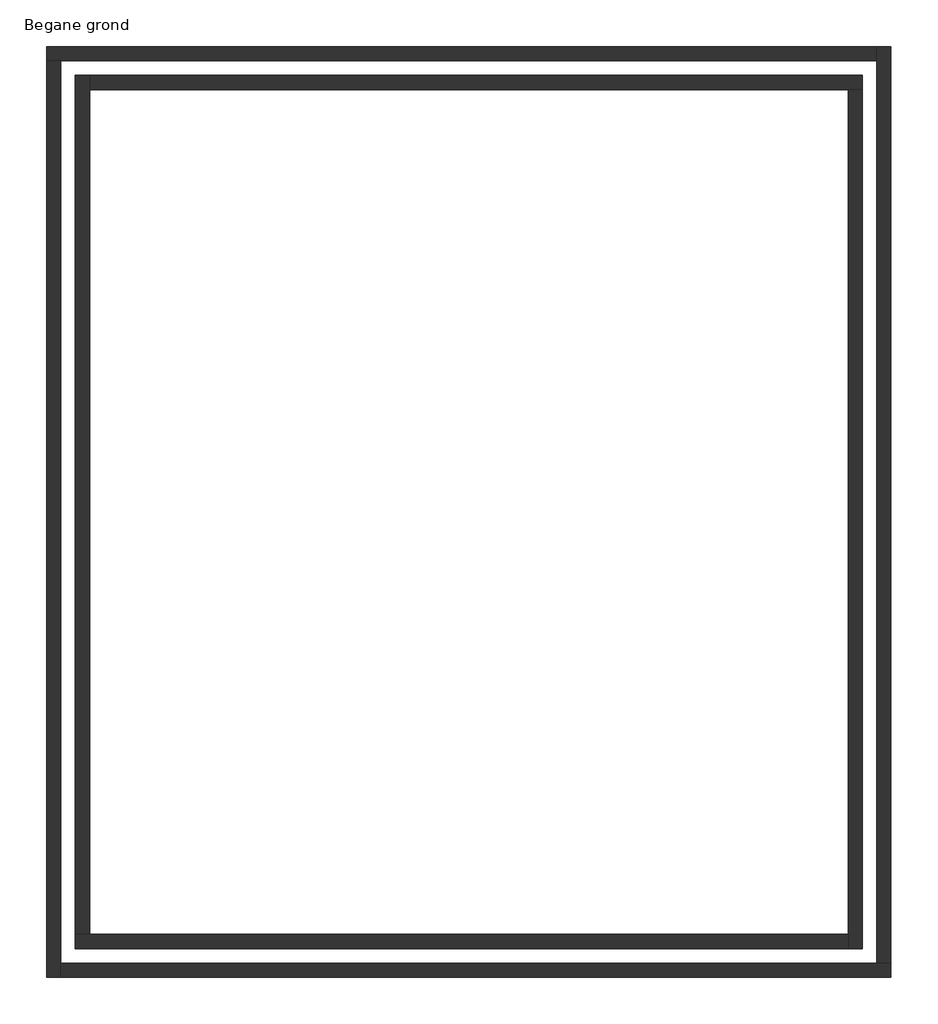
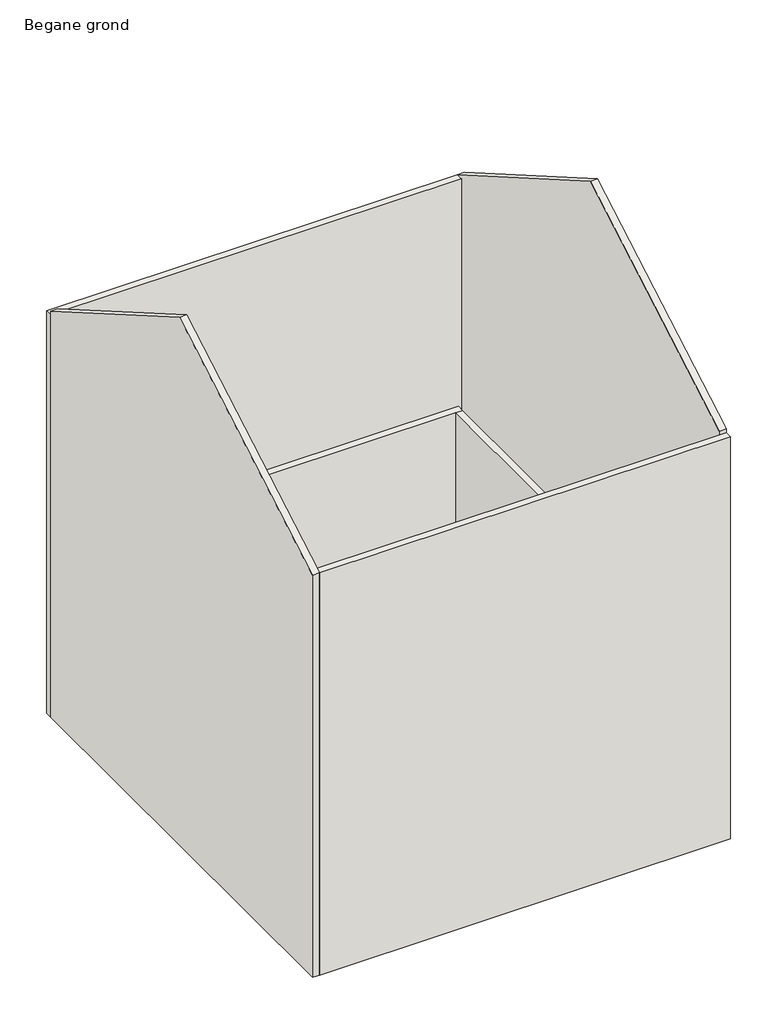
# One storey: 8 walls.
"""IFC4 building model written with IfcOpenShell, lengths in millimetres."""

from ifc_helpers import new_model, si_unit, origin, place, context, project, spatial, faceted_brep, element, save

model = new_model("IFC4")

# Units and contexts
model_context = context("Model", 3, world=origin())
ifc_project = project(units=[si_unit("LENGTHUNIT", "METRE", prefix="MILLI")], contexts=[model_context])

# Site, building, storey
site = spatial("IfcSite", under=ifc_project)
building = spatial("IfcBuilding", under=site)
storey = spatial("IfcBuildingStorey", under=building, Name="Begane grond", Elevation=0.0)

# Walls
placement = place(None, origin())
element("IfcWall", 1, at=placement, inside=storey, context=model_context, shape_type="Brep", body=[
    faceted_brep([(-50.0, -50.0, 0.0), (5350.0, -50.0, 0.0), (5350.0, -50.0, 2700.0), (-50.0, -50.0, 2700.0), (-50.0, 50.0, 0.0), (-50.0, 50.0, 2700.0), (50.0, 50.0, 2700.0), (5350.0, 50.0, 2700.0), (5350.0, 50.0, 0.0), (50.0, 50.0, 0.0)], [[[0, 1, 2, 3]], [[4, 5, 6, 7, 8, 9]], [[1, 0, 4, 9, 8]], [[0, 3, 5, 4]], [[2, 1, 8, 7]], [[3, 2, 7, 6, 5]]]),
])
element("IfcWall", 2, at=placement, inside=storey, context=model_context, shape_type="Brep", body=[
    faceted_brep([(-50.0, 6050.0, 0.0), (-50.0, 50.0, 0.0), (-50.0, 50.0, 2700.0), (-50.0, 6050.0, 2700.0), (50.0, 6050.0, 0.0), (50.0, 6050.0, 2700.0), (50.0, 5950.0, 2700.0), (50.0, 50.0, 2700.0), (50.0, 50.0, 0.0), (50.0, 5950.0, 0.0)], [[[0, 1, 2, 3]], [[4, 5, 6, 7, 8, 9]], [[1, 0, 4, 9, 8]], [[0, 3, 5, 4]], [[2, 1, 8, 7]], [[3, 2, 7, 6, 5]]]),
])
element("IfcWall", 3, at=placement, inside=storey, context=model_context, shape_type="Brep", body=[
    faceted_brep([(5450.0, 6050.0, 0.0), (50.0, 6050.0, 0.0), (50.0, 6050.0, 2700.0), (5450.0, 6050.0, 2700.0), (5450.0, 5950.0, 0.0), (5450.0, 5950.0, 2700.0), (5350.0, 5950.0, 2700.0), (50.0, 5950.0, 2700.0), (50.0, 5950.0, 0.0), (5350.0, 5950.0, 0.0)], [[[0, 1, 2, 3]], [[4, 5, 6, 7, 8, 9]], [[1, 0, 4, 9, 8]], [[0, 3, 5, 4]], [[2, 1, 8, 7]], [[3, 2, 7, 6, 5]]]),
])
element("IfcWall", 4, at=placement, inside=storey, context=model_context, shape_type="Brep", body=[
    faceted_brep([(5450.0, -50.0, 0.0), (5450.0, 5950.0, 0.0), (5450.0, 5950.0, 2700.0), (5450.0, -50.0, 2700.0), (5350.0, -50.0, 0.0), (5350.0, -50.0, 2700.0), (5350.0, 50.0, 2700.0), (5350.0, 5950.0, 2700.0), (5350.0, 5950.0, 0.0), (5350.0, 50.0, 0.0)], [[[0, 1, 2, 3]], [[4, 5, 6, 7, 8, 9]], [[1, 0, 4, 9, 8]], [[0, 3, 5, 4]], [[2, 1, 8, 7]], [[3, 2, 7, 6, 5]]]),
])
element("IfcWall", 5, at=placement, inside=storey, context=model_context, shape_type="Brep", body=[
    faceted_brep([(-250.0, 6150.0, 0.0), (-150.0, 6150.0, 0.0), (5550.0, 6150.0, 0.0), (5550.0, 6150.0, 6000.0), (-250.0, 6150.0, 6000.0), (-250.0, 6250.0, 0.0), (-250.0, 6250.0, 6000.0), (5550.0, 6250.0, 6000.0), (5550.0, 6250.0, 0.0)], [[[0, 1, 2, 3, 4]], [[5, 6, 7, 8]], [[2, 1, 0, 5, 8]], [[4, 3, 7, 6]], [[0, 4, 6, 5]], [[3, 2, 8, 7]]]),
])
element("IfcWall", 6, at=placement, inside=storey, context=model_context, shape_type="Brep", body=[
    faceted_brep([(-150.0, -250.0, 0.0), (-150.0, -150.0, 0.0), (-150.0, 6150.0, 0.0), (-150.0, 6150.0, 6057.7350269), (-150.0, 3000.0, 7876.3883749), (-150.0, -250.0, 6000.0), (-250.0, -250.0, 0.0), (-250.0, -250.0, 6000.0), (-250.0, 3000.0, 7876.3883749), (-250.0, 6150.0, 6057.7350269), (-250.0, 6150.0, 6000.0), (-250.0, 6150.0, 0.0)], [[[0, 1, 2, 3, 4, 5]], [[6, 7, 8, 9, 10, 11]], [[2, 1, 0, 6, 11]], [[0, 5, 7, 6]], [[3, 2, 11, 10, 9]], [[5, 4, 8, 7]], [[4, 3, 9, 8]]]),
])
element("IfcWall", 7, at=placement, inside=storey, context=model_context, shape_type="Brep", body=[
    faceted_brep([(5650.0, -150.0, 0.0), (5550.0, -150.0, 0.0), (-150.0, -150.0, 0.0), (-150.0, -150.0, 6000.0), (5650.0, -150.0, 6000.0), (5650.0, -250.0, 0.0), (5650.0, -250.0, 6000.0), (-150.0, -250.0, 6000.0), (-150.0, -250.0, 0.0)], [[[0, 1, 2, 3, 4]], [[5, 6, 7, 8]], [[2, 1, 0, 5, 8]], [[4, 3, 7, 6]], [[0, 4, 6, 5]], [[3, 2, 8, 7]]]),
])
element("IfcWall", 8, at=placement, inside=storey, context=model_context, shape_type="Brep", body=[
    faceted_brep([(5550.0, 6250.0, 0.0), (5550.0, 6150.0, 0.0), (5550.0, -150.0, 0.0), (5550.0, -150.0, 6057.7350269), (5550.0, 3000.0, 7876.3883749), (5550.0, 6250.0, 6000.0), (5650.0, 6250.0, 0.0), (5650.0, 6250.0, 6000.0), (5650.0, 3000.0, 7876.3883749), (5650.0, -150.0, 6057.7350269), (5650.0, -150.0, 6000.0), (5650.0, -150.0, 0.0)], [[[0, 1, 2, 3, 4, 5]], [[6, 7, 8, 9, 10, 11]], [[2, 1, 0, 6, 11]], [[0, 5, 7, 6]], [[3, 2, 11, 10, 9]], [[5, 4, 8, 7]], [[4, 3, 9, 8]]]),
])

save(model, "model.ifc")
